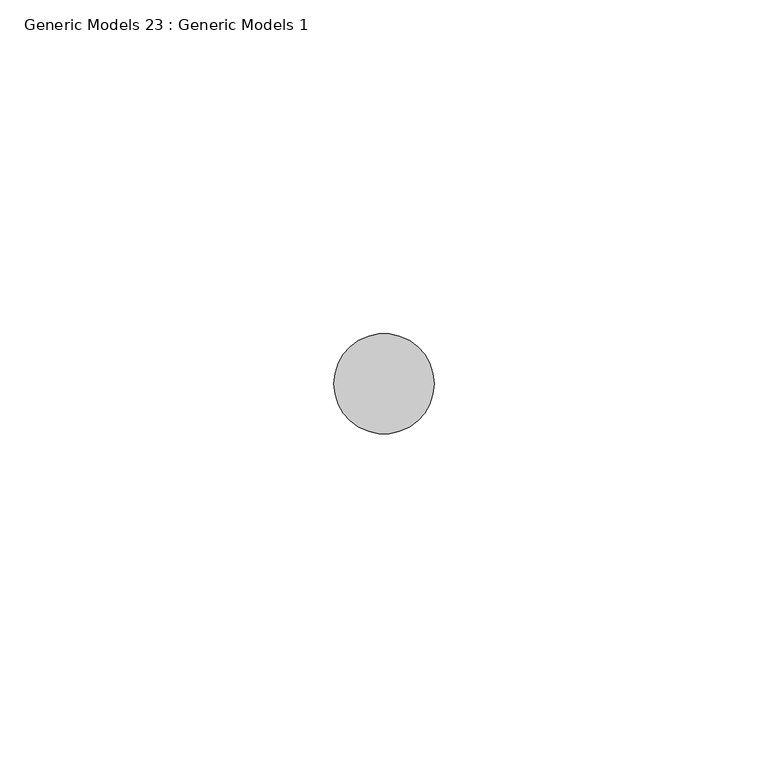
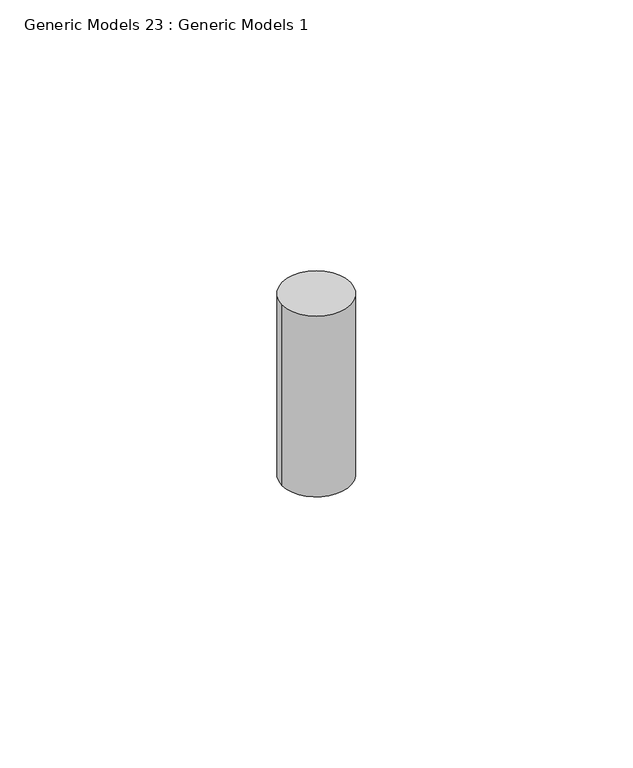
"""IFC4 building model written with IfcOpenShell, lengths in millimetres: proxy geometry, Generic Models 23 : Generic Models 1."""

from ifc_helpers import new_model, si_unit, point, frame, frame_2d, origin, place, context, project, spatial, circle_curve, trimmed, segment, composite_curve, outline, extrude, source, transform, mapped, element, save


def generic_models_23_generic_models_1_af2a26f9(model_context):
    return source(origin(), model_context, "Body", "SweptSolid", [
        extrude(outline(composite_curve([segment(trimmed(circle_curve(frame_2d((4780.1090768, 400.3057469)), 7.5), [point((4787.6090768, 400.3057469))], [point((4772.6090768, 400.3057469))], False, "CARTESIAN"), True, "CONTINUOUS"), segment(trimmed(circle_curve(frame_2d((4780.1090768, 400.3057469)), 7.5), [point((4772.6090768, 400.3057469))], [point((4787.6090768, 400.3057469))], False, "CARTESIAN"), True, "CONTINUOUS")], self_intersect=False)), frame((0.0, 0.0, -826.6691196), z_axis=(0.0, 0.0, 1.0), x_axis=(1.0, 0.0, 0.0)), (0.0, 0.0, 1.0), 42.0000012),
    ])


if __name__ == "__main__":
    model = new_model("IFC4")
    model_context = context("Model", 3, world=origin())
    ifc_project = project(units=[si_unit("LENGTHUNIT", "METRE", prefix="MILLI")], contexts=[model_context])
    site = spatial("IfcSite", under=ifc_project)
    building = spatial("IfcBuilding", under=site)
    placement = place(None, origin())
    generic_models_23_generic_models_1_shape = generic_models_23_generic_models_1_af2a26f9(model_context)
    element("IfcBuildingElementProxy", 1, Name="Generic Models 23 : Generic Models 1", ObjectType="Generic Models 23 : Generic Models 1", at=placement, inside=building, context=model_context, shape_type="MappedRepresentation", body=[
        mapped(generic_models_23_generic_models_1_shape, transform((0.0, 0.0, 0.0), x_axis=(1.0, 0.0, 0.0), y_axis=(0.0, 1.0, 0.0), z_axis=(0.0, 0.0, 1.0))),
    ])
    save(model, "model.ifc")
